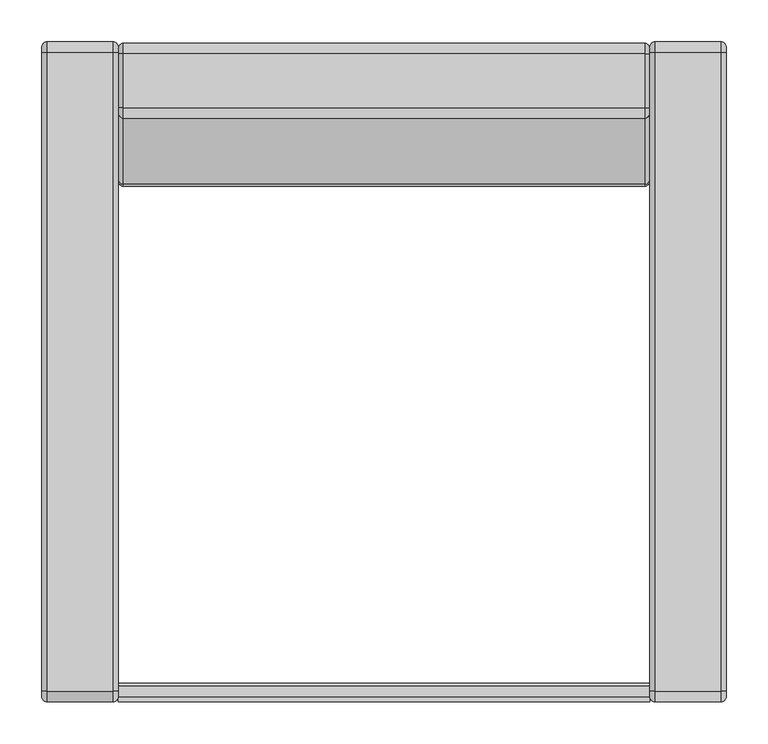
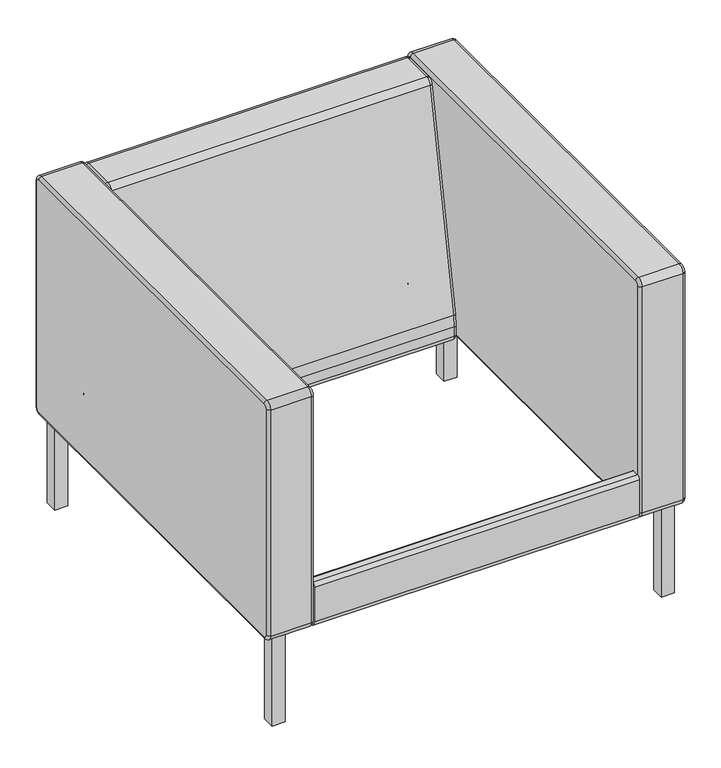
"""IFC4 building model written with IfcOpenShell, lengths in millimetres: furniture geometry."""

from ifc_helpers import new_model, si_unit, point, frame, frame_2d, origin, place, context, project, spatial, polyline, circle_curve, ellipse_curve, trimmed, segment, composite_curve, outline, extrude, source, transform, mapped, element, save
from ifc_brep_helpers import plane_surface, cylinder_surface, revolved_surface, advanced_brep


def furniture_34f81499(model_context):
    return source(origin(), model_context, "Body", "SolidModel", [
        advanced_brep(
        [(318.135, 333.8715545, 196.73392), (318.135, 340.2215545, 203.08392), (318.135, 340.2215545, 670.74872), (318.135, 333.8715545, 677.09872), (318.135, 269.3691712, 677.09872), (318.135, 263.1250497, 671.9034697), (318.135, 183.9228676, 243.6305145), (318.135, 181.9795545, 222.4360318), (318.135, 181.9795545, 203.08392), (318.135, 188.3295545, 196.73392), (-318.135, 188.3295545, 196.73392), (-318.135, 181.9795545, 203.08392), (-318.135, 181.9795545, 222.4360318), (-318.135, 183.9228676, 243.6305145), (-318.135, 263.1250497, 671.9034697), (-318.135, 269.3691712, 677.09872), (-318.135, 333.8715545, 677.09872), (-318.135, 340.2215545, 670.74872), (-318.135, 340.2215545, 203.08392), (-318.135, 333.8715545, 196.73392), (-311.785, 333.8715545, 683.44872), (-311.785, 269.3691712, 683.44872), (311.785, 269.3691712, 683.44872), (311.785, 333.8715545, 683.44872), (-311.785, 256.8809282, 673.0582193), (311.7850073, 256.8809282, 673.0582193), (-311.785, 177.6787461, 244.7852641), (311.785, 177.6787461, 244.7852641), (-311.785, 175.6295545, 222.4360318), (311.7850045, 175.6295545, 222.4360318), (-311.785, 175.6295545, 203.08392), (311.785, 175.6295545, 203.08392), (-311.785, 188.3295545, 190.38392), (311.7850072, 188.3295545, 190.38392), (-311.785, 333.8715545, 190.38392), (311.7850072, 333.8715545, 190.38392), (-311.785, 346.5715545, 203.08392), (311.7850072, 346.5715545, 203.08392), (-311.785, 346.5715545, 670.74872), (311.785, 346.5715545, 670.74872)],
        [
            (0, 1, circle_curve(frame((318.135, 333.8715545, 203.08392), z_axis=(1.0, 0.0, 0.0), x_axis=(0.0, 0.0, -1.0)), 6.35)),
            (1, 2),
            (2, 3, circle_curve(frame((318.135, 333.8715545, 670.74872), z_axis=(1.0, 0.0, 0.0), x_axis=(0.0, 1.0, 0.0)), 6.35)),
            (3, 4),
            (4, 5, circle_curve(frame((318.135, 269.3691712, 670.74872), z_axis=(1.0, 0.0, 0.0), x_axis=(0.0, 0.0, 1.0)), 6.35)),
            (5, 6),
            (6, 7, circle_curve(frame((318.135, 298.5285958, 222.4360318), z_axis=(1.0, 0.0, 0.0), x_axis=(0.0, -0.983326219549813, 0.18185033941643594)), 116.5490413)),
            (7, 8),
            (8, 9, circle_curve(frame((318.135, 188.3295545, 203.08392), z_axis=(1.0, 0.0, 0.0), x_axis=(0.0, -1.0, 0.0)), 6.35)),
            (9, 0),
            (10, 11, circle_curve(frame((-318.135, 188.3295545, 203.08392), z_axis=(-1.0, 0.0, 0.0), x_axis=(0.0, 0.0, -1.0)), 6.35)),
            (11, 12),
            (12, 13, circle_curve(frame((-318.135, 298.5285958, 222.4360318), z_axis=(-1.0, 0.0, 0.0), x_axis=(0.0, -1.0, 0.0)), 116.5490413)),
            (13, 14),
            (14, 15, circle_curve(frame((-318.135, 269.3691712, 670.74872), z_axis=(-1.0, 0.0, 0.0), x_axis=(0.0, -0.9833262195498124, 0.18185033941643938)), 6.35)),
            (15, 16),
            (16, 17, circle_curve(frame((-318.135, 333.8715545, 670.74872), z_axis=(-1.0, 0.0, 0.0), x_axis=(0.0, 0.0, 1.0)), 6.35)),
            (17, 18),
            (18, 19, circle_curve(frame((-318.135, 333.8715545, 203.08392), z_axis=(-1.0, 0.0, 0.0), x_axis=(0.0, 1.0, 0.0)), 6.35)),
            (19, 10),
            (20, 21),
            (21, 22),
            (22, 23),
            (23, 20),
            (21, 24, circle_curve(frame((-311.785, 269.3691712, 670.74872), z_axis=(1.0, 0.0, 0.0), x_axis=(0.0, 1.0, 0.0)), 12.7)),
            (24, 25),
            (25, 22, circle_curve(frame((311.785, 269.3691712, 670.74872), z_axis=(-1.0, 0.0, 0.0), x_axis=(0.0, 1.0, 0.0)), 12.7)),
            (24, 26),
            (26, 27),
            (27, 25),
            (26, 28, circle_curve(frame((-311.785, 298.5285958, 222.4360318), z_axis=(1.0, 0.0, 0.0), x_axis=(0.0, 1.0, 0.0)), 122.8990413)),
            (28, 29),
            (29, 27, circle_curve(frame((311.785, 298.5285958, 222.4360318), z_axis=(-1.0, 0.0, 0.0), x_axis=(0.0, 1.0, 0.0)), 122.8990413)),
            (28, 30),
            (30, 31),
            (31, 29),
            (30, 32, circle_curve(frame((-311.785, 188.3295545, 203.08392), z_axis=(1.0, 0.0, 0.0), x_axis=(0.0, 1.0, 0.0)), 12.7)),
            (32, 33),
            (33, 31, circle_curve(frame((311.785, 188.3295545, 203.08392), z_axis=(-1.0, 0.0, 0.0), x_axis=(0.0, 1.0, 0.0)), 12.7)),
            (32, 34),
            (34, 35),
            (35, 33),
            (34, 36, circle_curve(frame((-311.785, 333.8715545, 203.08392), z_axis=(1.0, 0.0, 0.0), x_axis=(0.0, 1.0, 0.0)), 12.7)),
            (36, 37),
            (37, 35, circle_curve(frame((311.785, 333.8715545, 203.08392), z_axis=(-1.0, 0.0, 0.0), x_axis=(0.0, 1.0, 0.0)), 12.7)),
            (36, 38),
            (38, 39),
            (39, 37),
            (38, 20, circle_curve(frame((-311.785, 333.8715545, 670.74872), z_axis=(1.0, 0.0, 0.0), x_axis=(0.0, 1.0, 0.0)), 12.7)),
            (23, 39, circle_curve(frame((311.785, 333.8715545, 670.74872), z_axis=(-1.0, 0.0, 0.0), x_axis=(0.0, 1.0, 0.0)), 12.7)),
            (30, 11, circle_curve(frame((-311.785, 181.9795545, 203.08392), z_axis=(0.0, 0.0, -1.0), x_axis=(-1.0, 0.0, 0.0)), 6.35)),
            (10, 32, circle_curve(frame((-311.785, 188.3295545, 196.73392), z_axis=(0.0, -1.0, 0.0), x_axis=(-1.0, 0.0, 0.0)), 6.35)),
            (28, 12, circle_curve(frame((-311.785, 181.9795545, 222.4360318), z_axis=(0.0, 0.0, -1.0), x_axis=(-1.0, 0.0, 0.0)), 6.35)),
            (26, 13, circle_curve(frame((-311.785, 183.9228676, 243.6305145), z_axis=(0.0, -0.18185033941642362, -0.9833262195498153), x_axis=(-1.0, 0.0, 0.0)), 6.35)),
            (24, 14, circle_curve(frame((-311.785, 263.1250497, 671.9034697), z_axis=(0.0, -0.18185033941642667, -0.9833262195498147), x_axis=(-1.0, 0.0, 0.0)), 6.35)),
            (21, 15, circle_curve(frame((-311.785, 269.3691712, 677.09872), z_axis=(0.0, -1.0, 0.0), x_axis=(-1.0, 0.0, 0.0)), 6.35)),
            (20, 16, circle_curve(frame((-311.785, 333.8715545, 677.09872), z_axis=(0.0, -1.0, 0.0), x_axis=(-1.0, 0.0, 0.0)), 6.35)),
            (38, 17, circle_curve(frame((-311.785, 340.2215545, 670.74872), z_axis=(0.0, 0.0, 1.0), x_axis=(-1.0, 0.0, 0.0)), 6.35)),
            (36, 18, circle_curve(frame((-311.785, 340.2215545, 203.08392), z_axis=(0.0, 0.0, 1.0), x_axis=(-1.0, 0.0, 0.0)), 6.35)),
            (34, 19, circle_curve(frame((-311.785, 333.8715545, 196.73392), z_axis=(0.0, 1.0, 0.0), x_axis=(-1.0, 0.0, 0.0)), 6.35)),
            (37, 1, circle_curve(frame((311.785, 340.2215545, 203.08392), z_axis=(0.0, 0.0, -1.0), x_axis=(1.0, 0.0, 0.0)), 6.35)),
            (0, 35, circle_curve(frame((311.785, 333.8715545, 196.73392), z_axis=(0.0, 1.0, 0.0), x_axis=(1.0, 0.0, 0.0)), 6.35)),
            (39, 2, circle_curve(frame((311.785, 340.2215545, 670.74872), z_axis=(0.0, 0.0, -1.0), x_axis=(1.0, 0.0, 0.0)), 6.35)),
            (23, 3, circle_curve(frame((311.785, 333.8715545, 677.09872), z_axis=(0.0, 1.0, 0.0), x_axis=(1.0, 0.0, 0.0)), 6.35)),
            (22, 4, circle_curve(frame((311.785, 269.3691712, 677.09872), z_axis=(0.0, 1.0, 0.0), x_axis=(1.0, 0.0, 0.0)), 6.35)),
            (25, 5, circle_curve(frame((311.785, 263.1250497, 671.9034697), z_axis=(0.0, 0.18185033941640474, 0.9833262195498188), x_axis=(1.0, 0.0, 0.0)), 6.35)),
            (27, 6, circle_curve(frame((311.785, 183.9228676, 243.6305145), z_axis=(0.0, 0.18185033941642667, 0.9833262195498148), x_axis=(1.0, 0.0, 0.0)), 6.35)),
            (29, 7, circle_curve(frame((311.785, 181.9795545, 222.4360318), z_axis=(0.0, 0.0, 1.0000000000000002), x_axis=(1.0, 0.0, 0.0)), 6.35)),
            (31, 8, circle_curve(frame((311.785, 181.9795545, 203.08392), z_axis=(0.0, 0.0, 1.0), x_axis=(1.0, 0.0, 0.0)), 6.35)),
            (33, 9, circle_curve(frame((311.785, 188.3295545, 196.73392), z_axis=(0.0, -1.0, 0.0), x_axis=(1.0, 0.0, 0.0)), 6.35)),
        ],
        [
            plane_surface(frame((318.135, 269.3691712, 683.44872), z_axis=(1.0, 0.0, 0.0), x_axis=(0.0, -1.0, 0.0))),
            plane_surface(frame((-318.135, 269.3691712, 683.44872), z_axis=(-1.0, 0.0, 0.0), x_axis=(0.0, 1.0, 0.0))),
            plane_surface(frame((318.135, 333.8715545, 683.44872), z_axis=(0.0, 0.0, 1.0), x_axis=(-1.0, 0.0, 0.0))),
            cylinder_surface(frame((-318.135, 269.3691712, 670.74872), z_axis=(1.0, 0.0, 0.0), x_axis=(0.0, 1.0, 0.0)), 12.7),
            plane_surface(frame((318.135, 256.8809282, 673.0582193), z_axis=(0.0, -0.9833262195498147, 0.18185033941642684), x_axis=(-1.0, 0.0, 0.0))),
            cylinder_surface(frame((-318.135, 298.5285958, 222.4360318), z_axis=(1.0, 0.0, 0.0), x_axis=(0.0, 1.0, 0.0)), 122.8990413),
            plane_surface(frame((318.135, 175.6295545, 222.4360318), z_axis=(0.0, -1.0, 0.0), x_axis=(-1.0, 0.0, 0.0))),
            cylinder_surface(frame((-318.135, 188.3295545, 203.08392), z_axis=(1.0, 0.0, 0.0), x_axis=(0.0, 1.0, 0.0)), 12.7),
            plane_surface(frame((318.135, 188.3295545, 190.38392), z_axis=(0.0, 0.0, -1.0), x_axis=(-1.0, 0.0, 0.0))),
            cylinder_surface(frame((-318.135, 333.8715545, 203.08392), z_axis=(1.0, 0.0, 0.0), x_axis=(0.0, 1.0, 0.0)), 12.7),
            plane_surface(frame((318.135, 346.5715545, 203.08392), z_axis=(0.0, 1.0, 0.0), x_axis=(-1.0, 0.0, 0.0))),
            cylinder_surface(frame((-318.135, 333.8715545, 670.74872), z_axis=(1.0, 0.0, 0.0), x_axis=(0.0, 1.0, 0.0)), 12.7),
            revolved_surface(trimmed(ellipse_curve(frame((-311.785, 188.3295545, 196.73392), z_axis=(0.0, 1.0, 0.0), x_axis=(-1.0, 0.0, 0.0)), 6.35, 6.35), [point((-311.785, 188.3295545, 190.38392))], [point((-318.135, 188.3295545, 196.73392))], True, "CARTESIAN"), (-318.135, 188.3295545, 203.08392), (-1.0, 0.0, 0.0)),
            cylinder_surface(frame((-311.785, 181.9795545, 203.08392), z_axis=(0.0, 0.0, 1.0), x_axis=(-1.0, 0.0, 0.0)), 6.35),
            revolved_surface(trimmed(ellipse_curve(frame((-311.785, 181.9795545, 222.4360318), z_axis=(0.0, 0.0, -1.0), x_axis=(-1.0, 0.0, 0.0)), 6.35, 6.35), [point((-311.785, 175.6295545, 222.4360318))], [point((-318.135, 181.9795545, 222.4360318))], True, "CARTESIAN"), (-318.135, 298.5285958, 222.4360318), (-1.0, 0.0, 0.0)),
            cylinder_surface(frame((-311.785, 183.9228676, 243.6305145), z_axis=(0.0, 0.18185033941642667, 0.9833262195498147), x_axis=(-1.0, 0.0, 0.0)), 6.35),
            revolved_surface(trimmed(ellipse_curve(frame((-311.785, 263.1250497, 671.9034697), z_axis=(0.0, -0.18185033941643924, -0.9833262195498124), x_axis=(-1.0, 0.0, 0.0)), 6.35, 6.35), [point((-311.785, 256.8809282, 673.0582193))], [point((-318.135, 263.1250497, 671.9034697))], True, "CARTESIAN"), (-318.135, 269.3691712, 670.74872), (-1.0, 0.0, 0.0)),
            cylinder_surface(frame((-311.785, 269.3691712, 677.09872), z_axis=(0.0, 1.0, 0.0), x_axis=(-1.0, 0.0, 0.0)), 6.35),
            revolved_surface(trimmed(ellipse_curve(frame((-311.785, 333.8715545, 677.09872), z_axis=(0.0, -1.0, 0.0), x_axis=(-1.0, 0.0, 0.0)), 6.35, 6.35), [point((-311.785, 333.8715545, 683.44872))], [point((-318.135, 333.8715545, 677.09872))], True, "CARTESIAN"), (-318.135, 333.8715545, 670.74872), (-1.0, 0.0, 0.0)),
            cylinder_surface(frame((-311.785, 340.2215545, 670.74872), z_axis=(0.0, 0.0, -1.0), x_axis=(-1.0, 0.0, 0.0)), 6.35),
            revolved_surface(trimmed(ellipse_curve(frame((-311.785, 340.2215545, 203.08392), z_axis=(0.0, 0.0, 1.0), x_axis=(-1.0, 0.0, 0.0)), 6.35, 6.35), [point((-311.785, 346.5715545, 203.08392))], [point((-318.135, 340.2215545, 203.08392))], True, "CARTESIAN"), (-318.135, 333.8715545, 203.08392), (-1.0, 0.0, 0.0)),
            cylinder_surface(frame((-311.785, 333.8715545, 196.73392), z_axis=(0.0, -1.0, 0.0), x_axis=(-1.0, 0.0, 0.0)), 6.35),
            revolved_surface(trimmed(ellipse_curve(frame((311.785, 333.8715545, 196.73392), z_axis=(0.0, -1.0, 0.0), x_axis=(1.0, 0.0, 0.0)), 6.35, 6.35), [point((311.785, 333.8715545, 190.38392))], [point((318.135, 333.8715545, 196.73392))], True, "CARTESIAN"), (318.135, 333.8715545, 203.08392), (1.0, 0.0, 0.0)),
            cylinder_surface(frame((311.785, 340.2215545, 203.08392), z_axis=(0.0, 0.0, 1.0), x_axis=(1.0, 0.0, 0.0)), 6.35),
            revolved_surface(trimmed(ellipse_curve(frame((311.785, 340.2215545, 670.74872), z_axis=(0.0, 0.0, -1.0), x_axis=(1.0, 0.0, 0.0)), 6.35, 6.35), [point((311.785, 346.5715545, 670.74872))], [point((318.135, 340.2215545, 670.74872))], True, "CARTESIAN"), (318.135, 333.8715545, 670.74872), (1.0, 0.0, 0.0)),
            cylinder_surface(frame((311.785, 333.8715545, 677.09872), z_axis=(0.0, -1.0, 0.0), x_axis=(1.0, 0.0, 0.0)), 6.35),
            revolved_surface(trimmed(ellipse_curve(frame((311.785, 269.3691712, 677.09872), z_axis=(0.0, 1.0, 0.0), x_axis=(1.0, 0.0, 0.0)), 6.35, 6.35), [point((311.785, 269.3691712, 683.44872))], [point((318.135, 269.3691712, 677.09872))], True, "CARTESIAN"), (318.135, 269.3691712, 670.74872), (1.0, 0.0, 0.0)),
            cylinder_surface(frame((311.785, 263.1250497, 671.9034697), z_axis=(0.0, -0.18185033941642667, -0.9833262195498148), x_axis=(1.0, 0.0, 0.0)), 6.35),
            revolved_surface(trimmed(ellipse_curve(frame((311.785, 183.9228676, 243.6305145), z_axis=(0.0, 0.18185033941643572, 0.983326219549813), x_axis=(1.0, 0.0, 0.0)), 6.35, 6.35), [point((311.785, 177.6787461, 244.7852641))], [point((318.135, 183.9228676, 243.6305145))], True, "CARTESIAN"), (318.135, 298.5285958, 222.4360318), (1.0, 0.0, 0.0)),
            cylinder_surface(frame((311.785, 181.9795545, 222.4360318), z_axis=(0.0, 0.0, -1.0), x_axis=(1.0, 0.0, 0.0)), 6.35),
            revolved_surface(trimmed(ellipse_curve(frame((311.785, 181.9795545, 203.08392), z_axis=(0.0, 0.0, 1.0), x_axis=(1.0, 0.0, 0.0)), 6.35, 6.35), [point((311.785, 175.6295545, 203.08392))], [point((318.135, 181.9795545, 203.08392))], True, "CARTESIAN"), (318.135, 188.3295545, 203.08392), (1.0, 0.0, 0.0)),
            cylinder_surface(frame((311.785, 188.3295545, 196.73392), z_axis=(0.0, 1.0, 0.0), x_axis=(1.0, 0.0, 0.0)), 6.35),
        ],
        [
            (0, [[1, 2, 3, 4, 5, 6, 7, 8, 9, 10]]),
            (1, [[11, 12, 13, 14, 15, 16, 17, 18, 19, 20]]),
            (2, [[21, 22, 23, 24]]),
            (3, [[25, 26, 27, -22]]),
            (4, [[28, 29, 30, -26]]),
            (5, [[31, 32, 33, -29]]),
            (6, [[34, 35, 36, -32]]),
            (7, [[37, 38, 39, -35]]),
            (8, [[40, 41, 42, -38]]),
            (9, [[43, 44, 45, -41]]),
            (10, [[46, 47, 48, -44]]),
            (11, [[49, -24, 50, -47]]),
            (12, [[51, -11, 52, -37]]),
            (13, [[-51, -34, 53, -12]]),
            (14, [[-53, -31, 54, -13]]),
            (15, [[-54, -28, 55, -14]]),
            (16, [[-55, -25, 56, -15]]),
            (17, [[-56, -21, 57, -16]]),
            (18, [[-57, -49, 58, -17]]),
            (19, [[-58, -46, 59, -18]]),
            (20, [[-59, -43, 60, -19]]),
            (21, [[-52, -20, -60, -40]]),
            (22, [[61, -1, 62, -45]]),
            (23, [[-61, -48, 63, -2]]),
            (24, [[-63, -50, 64, -3]]),
            (25, [[-64, -23, 65, -4]]),
            (26, [[-65, -27, 66, -5]]),
            (27, [[-66, -30, 67, -6]]),
            (28, [[-67, -33, 68, -7]]),
            (29, [[-68, -36, 69, -8]]),
            (30, [[-69, -39, 70, -9]]),
            (31, [[-62, -10, -70, -42]]),
        ],
    ),
        advanced_brep(
        [(-409.575, 335.7003545, 681.22622), (-409.575, 342.0503545, 674.87622), (-409.575, 342.0503545, 207.19872), (-409.575, 335.7003545, 200.84872), (-409.575, -428.8396455, 200.84872), (-409.575, -435.1896455, 207.19872), (-409.575, -435.1896455, 674.87622), (-409.575, -428.8396455, 681.22622), (-318.135, -428.8396455, 681.22622), (-318.135, -435.1896455, 674.87622), (-318.135, -435.1896455, 207.19872), (-318.135, -428.8396455, 200.84872), (-318.135, 335.7003545, 200.84872), (-318.135, 342.0503545, 207.19872), (-318.135, 342.0503545, 674.87622), (-318.135, 335.7003545, 681.22622), (-403.225, -441.5396455, 674.87622), (-403.225, -441.5396455, 207.19872), (-324.485, -441.5396455, 207.19872), (-324.485, -441.5396455, 674.87622), (-403.225, -428.8396455, 194.49872), (-324.4849927, -428.8396455, 194.49872), (-403.225, 335.7003545, 194.49872), (-324.485, 335.7003545, 194.49872), (-403.225, 348.4003545, 207.19872), (-324.4849927, 348.4003545, 207.19872), (-403.225, 348.4003545, 674.87622), (-324.485, 348.4003545, 674.87622), (-403.225, 335.7003545, 687.57622), (-324.4849926, 335.7003545, 687.57622), (-403.225, -428.8396455, 687.57622), (-324.4849928, -428.8396455, 687.57622)],
        [
            (0, 1, circle_curve(frame((-409.575, 335.7003545, 674.87622), z_axis=(-1.0, 0.0, 0.0), x_axis=(0.0, 0.0, 1.0)), 6.35)),
            (1, 2),
            (2, 3, circle_curve(frame((-409.575, 335.7003545, 207.19872), z_axis=(-1.0, 0.0, 0.0), x_axis=(0.0, 1.0, 0.0)), 6.35)),
            (3, 4),
            (4, 5, circle_curve(frame((-409.575, -428.8396455, 207.19872), z_axis=(-1.0, 0.0, 0.0), x_axis=(0.0, 0.0, -1.0)), 6.35)),
            (5, 6),
            (6, 7, circle_curve(frame((-409.575, -428.8396455, 674.87622), z_axis=(-1.0, 0.0, 0.0), x_axis=(0.0, -1.0, 0.0)), 6.35)),
            (7, 0),
            (8, 9, circle_curve(frame((-318.135, -428.8396455, 674.87622), z_axis=(1.0, 0.0, 0.0), x_axis=(0.0, 0.0, 1.0)), 6.35)),
            (9, 10),
            (10, 11, circle_curve(frame((-318.135, -428.8396455, 207.19872), z_axis=(1.0, 0.0, 0.0), x_axis=(0.0, -1.0, 0.0)), 6.35)),
            (11, 12),
            (12, 13, circle_curve(frame((-318.135, 335.7003545, 207.19872), z_axis=(1.0, 0.0, 0.0), x_axis=(0.0, 0.0, -1.0)), 6.35)),
            (13, 14),
            (14, 15, circle_curve(frame((-318.135, 335.7003545, 674.87622), z_axis=(1.0, 0.0, 0.0), x_axis=(0.0, 1.0, 0.0)), 6.35)),
            (15, 8),
            (16, 17),
            (17, 18),
            (18, 19),
            (19, 16),
            (17, 20, circle_curve(frame((-403.225, -428.8396455, 207.19872), z_axis=(1.0, 0.0, 0.0), x_axis=(0.0, 1.0, 0.0)), 12.7)),
            (20, 21),
            (21, 18, circle_curve(frame((-324.485, -428.8396455, 207.19872), z_axis=(-1.0, 0.0, 0.0), x_axis=(0.0, 1.0, 0.0)), 12.7)),
            (20, 22),
            (22, 23),
            (23, 21),
            (22, 24, circle_curve(frame((-403.225, 335.7003545, 207.19872), z_axis=(1.0, 0.0, 0.0), x_axis=(0.0, 1.0, 0.0)), 12.7)),
            (24, 25),
            (25, 23, circle_curve(frame((-324.485, 335.7003545, 207.19872), z_axis=(-1.0, 0.0, 0.0), x_axis=(0.0, 1.0, 0.0)), 12.7)),
            (24, 26),
            (26, 27),
            (27, 25),
            (26, 28, circle_curve(frame((-403.225, 335.7003545, 674.87622), z_axis=(1.0, 0.0, 0.0), x_axis=(0.0, 1.0, 0.0)), 12.7)),
            (28, 29),
            (29, 27, circle_curve(frame((-324.485, 335.7003545, 674.87622), z_axis=(-1.0, 0.0, 0.0), x_axis=(0.0, 1.0, 0.0)), 12.7)),
            (28, 30),
            (30, 31),
            (31, 29),
            (30, 16, circle_curve(frame((-403.225, -428.8396455, 674.87622), z_axis=(1.0, 0.0, 0.0), x_axis=(0.0, 1.0, 0.0)), 12.7)),
            (19, 31, circle_curve(frame((-324.485, -428.8396455, 674.87622), z_axis=(-1.0, 0.0, 0.0), x_axis=(0.0, 1.0, 0.0)), 12.7)),
            (26, 1, circle_curve(frame((-403.225, 342.0503545, 674.87622), z_axis=(0.0, 0.0, 1.0), x_axis=(-1.0, 0.0, 0.0)), 6.35)),
            (0, 28, circle_curve(frame((-403.225, 335.7003545, 681.22622), z_axis=(0.0, 1.0, 0.0), x_axis=(-1.0, 0.0, 0.0)), 6.35)),
            (24, 2, circle_curve(frame((-403.225, 342.0503545, 207.19872), z_axis=(0.0, 0.0, 1.0), x_axis=(-1.0, 0.0, 0.0)), 6.35)),
            (22, 3, circle_curve(frame((-403.225, 335.7003545, 200.84872), z_axis=(0.0, 1.0, 0.0), x_axis=(-1.0, 0.0, 0.0)), 6.35)),
            (20, 4, circle_curve(frame((-403.225, -428.8396455, 200.84872), z_axis=(0.0, 1.0, 0.0), x_axis=(-1.0, 0.0, 0.0)), 6.35)),
            (17, 5, circle_curve(frame((-403.225, -435.1896455, 207.19872), z_axis=(0.0, 0.0, -1.0), x_axis=(-1.0, 0.0, 0.0)), 6.35)),
            (16, 6, circle_curve(frame((-403.225, -435.1896455, 674.87622), z_axis=(0.0, 0.0, -1.0), x_axis=(-1.0, 0.0, 0.0)), 6.35)),
            (30, 7, circle_curve(frame((-403.225, -428.8396455, 681.22622), z_axis=(0.0, -1.0, 0.0), x_axis=(-1.0, 0.0, 0.0)), 6.35)),
            (19, 9, circle_curve(frame((-324.485, -435.1896455, 674.87622), z_axis=(0.0, 0.0, 1.0), x_axis=(1.0, 0.0, 0.0)), 6.35)),
            (8, 31, circle_curve(frame((-324.485, -428.8396455, 681.22622), z_axis=(0.0, -1.0, 0.0), x_axis=(1.0, 0.0, 0.0)), 6.35)),
            (18, 10, circle_curve(frame((-324.485, -435.1896455, 207.19872), z_axis=(0.0, 0.0, 1.0), x_axis=(1.0, 0.0, 0.0)), 6.35)),
            (21, 11, circle_curve(frame((-324.485, -428.8396455, 200.84872), z_axis=(0.0, -1.0, 0.0), x_axis=(1.0, 0.0, 0.0)), 6.35)),
            (23, 12, circle_curve(frame((-324.485, 335.7003545, 200.84872), z_axis=(0.0, -1.0, 0.0), x_axis=(1.0, 0.0, 0.0)), 6.35)),
            (25, 13, circle_curve(frame((-324.485, 342.0503545, 207.19872), z_axis=(0.0, 0.0, -1.0), x_axis=(1.0, 0.0, 0.0)), 6.35)),
            (27, 14, circle_curve(frame((-324.485, 342.0503545, 674.87622), z_axis=(0.0, 0.0, -1.0), x_axis=(1.0, 0.0, 0.0)), 6.35)),
            (29, 15, circle_curve(frame((-324.485, 335.7003545, 681.22622), z_axis=(0.0, 1.0, 0.0), x_axis=(1.0, 0.0, 0.0)), 6.35)),
        ],
        [
            plane_surface(frame((-409.575, -416.1396455, 674.87622), z_axis=(-1.0, 0.0, 0.0), x_axis=(0.0, 0.0, -1.0))),
            plane_surface(frame((-318.135, -416.1396455, 674.87622), z_axis=(1.0, 0.0, 0.0), x_axis=(0.0, 0.0, 1.0))),
            plane_surface(frame((-409.575, -441.5396455, 207.19872), z_axis=(0.0, -1.0, 0.0), x_axis=(1.0, 0.0, 0.0))),
            cylinder_surface(frame((-318.135, -428.8396455, 207.19872), z_axis=(-1.0, 0.0, 0.0), x_axis=(0.0, 1.0, 0.0)), 12.7),
            plane_surface(frame((-409.575, 335.7003545, 194.49872), z_axis=(0.0, 0.0, -1.0), x_axis=(1.0, 0.0, 0.0))),
            cylinder_surface(frame((-318.135, 335.7003545, 207.19872), z_axis=(-1.0, 0.0, 0.0), x_axis=(0.0, 1.0, 0.0)), 12.7),
            plane_surface(frame((-409.575, 348.4003545, 674.87622), z_axis=(0.0, 1.0, 0.0), x_axis=(1.0, 0.0, 0.0))),
            cylinder_surface(frame((-318.135, 335.7003545, 674.87622), z_axis=(-1.0, 0.0, 0.0), x_axis=(0.0, 1.0, 0.0)), 12.7),
            plane_surface(frame((-409.575, -428.8396455, 687.57622), z_axis=(0.0, 0.0, 1.0), x_axis=(1.0, 0.0, 0.0))),
            cylinder_surface(frame((-318.135, -428.8396455, 674.87622), z_axis=(-1.0, 0.0, 0.0), x_axis=(0.0, 1.0, 0.0)), 12.7),
            revolved_surface(trimmed(ellipse_curve(frame((-403.225, 335.7003545, 681.22622), z_axis=(0.0, -1.0, 0.0), x_axis=(-1.0, 0.0, 0.0)), 6.35, 6.35), [point((-403.225, 335.7003545, 687.57622))], [point((-409.575, 335.7003545, 681.22622))], True, "CARTESIAN"), (-409.575, 335.7003545, 674.87622), (-1.0, 0.0, 0.0)),
            cylinder_surface(frame((-403.225, 342.0503545, 674.87622), z_axis=(0.0, 0.0, -1.0), x_axis=(-1.0, 0.0, 0.0)), 6.35),
            revolved_surface(trimmed(ellipse_curve(frame((-403.225, 342.0503545, 207.19872), z_axis=(0.0, 0.0, 1.0), x_axis=(-1.0, 0.0, 0.0)), 6.35, 6.35), [point((-403.225, 348.4003545, 207.19872))], [point((-409.575, 342.0503545, 207.19872))], True, "CARTESIAN"), (-409.575, 335.7003545, 207.19872), (-1.0, 0.0, 0.0)),
            cylinder_surface(frame((-403.225, 335.7003545, 200.84872), z_axis=(0.0, -1.0, 0.0), x_axis=(-1.0, 0.0, 0.0)), 6.35),
            revolved_surface(trimmed(ellipse_curve(frame((-403.225, -428.8396455, 200.84872), z_axis=(0.0, 1.0, 0.0), x_axis=(-1.0, 0.0, 0.0)), 6.35, 6.35), [point((-403.225, -428.8396455, 194.49872))], [point((-409.575, -428.8396455, 200.84872))], True, "CARTESIAN"), (-409.575, -428.8396455, 207.19872), (-1.0, 0.0, 0.0)),
            cylinder_surface(frame((-403.225, -435.1896455, 207.19872), z_axis=(0.0, 0.0, 1.0), x_axis=(-1.0, 0.0, 0.0)), 6.35),
            revolved_surface(trimmed(ellipse_curve(frame((-403.225, -435.1896455, 674.87622), z_axis=(0.0, 0.0, -1.0), x_axis=(-1.0, 0.0, 0.0)), 6.35, 6.35), [point((-403.225, -441.5396455, 674.87622))], [point((-409.575, -435.1896455, 674.87622))], True, "CARTESIAN"), (-409.575, -428.8396455, 674.87622), (-1.0, 0.0, 0.0)),
            cylinder_surface(frame((-403.225, -428.8396455, 681.22622), z_axis=(0.0, 1.0, 0.0), x_axis=(-1.0, 0.0, 0.0)), 6.35),
            revolved_surface(trimmed(ellipse_curve(frame((-324.485, -428.8396455, 681.22622), z_axis=(0.0, 1.0, 0.0), x_axis=(1.0, 0.0, 0.0)), 6.35, 6.35), [point((-324.485, -428.8396455, 687.57622))], [point((-318.135, -428.8396455, 681.22622))], True, "CARTESIAN"), (-318.135, -428.8396455, 674.87622), (1.0, 0.0, 0.0)),
            cylinder_surface(frame((-324.485, -435.1896455, 674.87622), z_axis=(0.0, 0.0, -1.0), x_axis=(1.0, 0.0, 0.0)), 6.35),
            revolved_surface(trimmed(ellipse_curve(frame((-324.485, -435.1896455, 207.19872), z_axis=(0.0, 0.0, 1.0), x_axis=(1.0, 0.0, 0.0)), 6.35, 6.35), [point((-324.485, -441.5396455, 207.19872))], [point((-318.135, -435.1896455, 207.19872))], True, "CARTESIAN"), (-318.135, -428.8396455, 207.19872), (1.0, 0.0, 0.0)),
            cylinder_surface(frame((-324.485, -428.8396455, 200.84872), z_axis=(0.0, 1.0, 0.0), x_axis=(1.0, 0.0, 0.0)), 6.35),
            revolved_surface(trimmed(ellipse_curve(frame((-324.485, 335.7003545, 200.84872), z_axis=(0.0, -1.0, 0.0), x_axis=(1.0, 0.0, 0.0)), 6.35, 6.35), [point((-324.485, 335.7003545, 194.49872))], [point((-318.135, 335.7003545, 200.84872))], True, "CARTESIAN"), (-318.135, 335.7003545, 207.19872), (1.0, 0.0, 0.0)),
            cylinder_surface(frame((-324.485, 342.0503545, 207.19872), z_axis=(0.0, 0.0, 1.0), x_axis=(1.0, 0.0, 0.0)), 6.35),
            revolved_surface(trimmed(ellipse_curve(frame((-324.485, 342.0503545, 674.87622), z_axis=(0.0, 0.0, -1.0), x_axis=(1.0, 0.0, 0.0)), 6.35, 6.35), [point((-324.485, 348.4003545, 674.87622))], [point((-318.135, 342.0503545, 674.87622))], True, "CARTESIAN"), (-318.135, 335.7003545, 674.87622), (1.0, 0.0, 0.0)),
            cylinder_surface(frame((-324.485, 335.7003545, 681.22622), z_axis=(0.0, -1.0, 0.0), x_axis=(1.0, 0.0, 0.0)), 6.35),
        ],
        [
            (0, [[1, 2, 3, 4, 5, 6, 7, 8]]),
            (1, [[9, 10, 11, 12, 13, 14, 15, 16]]),
            (2, [[17, 18, 19, 20]]),
            (3, [[21, 22, 23, -18]]),
            (4, [[24, 25, 26, -22]]),
            (5, [[27, 28, 29, -25]]),
            (6, [[30, 31, 32, -28]]),
            (7, [[33, 34, 35, -31]]),
            (8, [[36, 37, 38, -34]]),
            (9, [[39, -20, 40, -37]]),
            (10, [[41, -1, 42, -33]]),
            (11, [[-41, -30, 43, -2]]),
            (12, [[-43, -27, 44, -3]]),
            (13, [[-44, -24, 45, -4]]),
            (14, [[-45, -21, 46, -5]]),
            (15, [[-46, -17, 47, -6]]),
            (16, [[-47, -39, 48, -7]]),
            (17, [[-42, -8, -48, -36]]),
            (18, [[49, -9, 50, -40]]),
            (19, [[-49, -19, 51, -10]]),
            (20, [[-51, -23, 52, -11]]),
            (21, [[-52, -26, 53, -12]]),
            (22, [[-53, -29, 54, -13]]),
            (23, [[-54, -32, 55, -14]]),
            (24, [[-55, -35, 56, -15]]),
            (25, [[-50, -16, -56, -38]]),
        ],
    ),
        advanced_brep(
        [(409.575, -428.8396455, 681.22622), (409.575, -435.1896455, 674.87622), (409.575, -435.1896455, 207.19872), (409.575, -428.8396455, 200.84872), (409.575, 335.7003545, 200.84872), (409.575, 342.0503545, 207.19872), (409.575, 342.0503545, 674.87622), (409.575, 335.7003545, 681.22622), (318.135, 335.7003545, 681.22622), (318.135, 342.0503545, 674.87622), (318.135, 342.0503545, 207.19872), (318.135, 335.7003545, 200.84872), (318.135, -428.8396455, 200.84872), (318.135, -435.1896455, 207.19872), (318.135, -435.1896455, 674.87622), (318.135, -428.8396455, 681.22622), (403.225, -441.5396455, 207.19872), (403.225, -441.5396455, 674.87622), (324.485, -441.5396455, 674.87622), (324.485, -441.5396455, 207.19872), (403.225, -428.8396455, 194.49872), (324.485, -428.8396455, 194.49872), (403.225, 335.7003545, 194.49872), (324.485, 335.7003545, 194.49872), (403.225, 348.4003545, 207.19872), (324.485, 348.4003545, 207.19872), (403.225, 348.4003545, 674.87622), (324.485, 348.4003545, 674.87622), (403.225, 335.7003545, 687.57622), (324.485, 335.7003545, 687.57622), (403.225, -428.8396455, 687.57622), (324.485, -428.8396455, 687.57622)],
        [
            (0, 1, circle_curve(frame((409.575, -428.8396455, 674.87622), z_axis=(1.0, 0.0, 0.0), x_axis=(0.0, 0.0, 1.0)), 6.35)),
            (1, 2),
            (2, 3, circle_curve(frame((409.575, -428.8396455, 207.19872), z_axis=(1.0, 0.0, 0.0), x_axis=(0.0, -1.0, 0.0)), 6.35)),
            (3, 4),
            (4, 5, circle_curve(frame((409.575, 335.7003545, 207.19872), z_axis=(1.0, 0.0, 0.0), x_axis=(0.0, 0.0, -1.0)), 6.35)),
            (5, 6),
            (6, 7, circle_curve(frame((409.575, 335.7003545, 674.87622), z_axis=(1.0, 0.0, 0.0), x_axis=(0.0, 1.0, 1.1765914767428364e-12)), 6.35)),
            (7, 0),
            (8, 9, circle_curve(frame((318.135, 335.7003545, 674.87622), z_axis=(-1.0, 0.0, 0.0), x_axis=(0.0, 0.0, 1.0)), 6.35)),
            (9, 10),
            (10, 11, circle_curve(frame((318.135, 335.7003545, 207.19872), z_axis=(-1.0, 0.0, 0.0), x_axis=(0.0, 1.0, 0.0)), 6.35)),
            (11, 12),
            (12, 13, circle_curve(frame((318.135, -428.8396455, 207.19872), z_axis=(-1.0, 0.0, 0.0), x_axis=(0.0, 0.0, -1.0)), 6.35)),
            (13, 14),
            (14, 15, circle_curve(frame((318.135, -428.8396455, 674.87622), z_axis=(-1.0, 0.0, 0.0), x_axis=(0.0, -1.0, 0.0)), 6.35)),
            (15, 8),
            (16, 17),
            (17, 18),
            (18, 19),
            (19, 16),
            (20, 16, circle_curve(frame((403.225, -428.8396455, 207.19872), z_axis=(-1.0, 0.0, 0.0), x_axis=(0.0, 1.0, 0.0)), 12.7)),
            (19, 21, circle_curve(frame((324.485, -428.8396455, 207.19872), z_axis=(1.0, 0.0, 0.0), x_axis=(0.0, 1.0, 0.0)), 12.7)),
            (21, 20),
            (22, 20),
            (21, 23),
            (23, 22),
            (24, 22, circle_curve(frame((403.225, 335.7003545, 207.19872), z_axis=(-1.0, 0.0, 0.0), x_axis=(0.0, 1.0, 0.0)), 12.7)),
            (23, 25, circle_curve(frame((324.485, 335.7003545, 207.19872), z_axis=(1.0, 0.0, 0.0), x_axis=(0.0, 1.0, 0.0)), 12.7)),
            (25, 24),
            (26, 24),
            (25, 27),
            (27, 26),
            (28, 26, circle_curve(frame((403.225, 335.7003545, 674.87622), z_axis=(-1.0, 0.0, 0.0), x_axis=(0.0, 1.0, 0.0)), 12.7)),
            (27, 29, circle_curve(frame((324.485, 335.7003545, 674.87622), z_axis=(1.0, 0.0, 0.0), x_axis=(0.0, 1.0, 0.0)), 12.7)),
            (29, 28),
            (30, 28),
            (29, 31),
            (31, 30),
            (17, 30, circle_curve(frame((403.225, -428.8396455, 674.87622), z_axis=(-1.0, 0.0, 0.0), x_axis=(0.0, 1.0, 0.0)), 12.7)),
            (31, 18, circle_curve(frame((324.485, -428.8396455, 674.87622), z_axis=(1.0, 0.0, 0.0), x_axis=(0.0, 1.0, 0.0)), 12.7)),
            (17, 1, circle_curve(frame((403.225, -435.1896455, 674.87622), z_axis=(0.0, 0.0, 1.0), x_axis=(1.0, 0.0, 0.0)), 6.35)),
            (0, 30, circle_curve(frame((403.225, -428.8396455, 681.22622), z_axis=(0.0, -1.0, 0.0), x_axis=(1.0, 0.0, 0.0)), 6.35)),
            (16, 2, circle_curve(frame((403.225, -435.1896455, 207.19872), z_axis=(0.0, 0.0, 1.0), x_axis=(1.0, 0.0, 0.0)), 6.35)),
            (20, 3, circle_curve(frame((403.225, -428.8396455, 200.84872), z_axis=(0.0, -1.0, 0.0), x_axis=(1.0, 0.0, 0.0)), 6.35)),
            (22, 4, circle_curve(frame((403.225, 335.7003545, 200.84872), z_axis=(0.0, -1.0, 0.0), x_axis=(1.0, 0.0, 0.0)), 6.35)),
            (24, 5, circle_curve(frame((403.225, 342.0503545, 207.19872), z_axis=(0.0, 0.0, -1.0), x_axis=(1.0, 0.0, 0.0)), 6.35)),
            (26, 6, circle_curve(frame((403.225, 342.0503545, 674.87622), z_axis=(0.0, 0.0, -1.0), x_axis=(1.0, 0.0, 0.0)), 6.35)),
            (28, 7, circle_curve(frame((403.225, 335.7003545, 681.22622), z_axis=(0.0, 1.0, 0.0), x_axis=(1.0, 0.0, 0.0)), 6.35)),
            (27, 9, circle_curve(frame((324.485, 342.0503545, 674.87622), z_axis=(0.0, -1.1948449038564976e-12, 1.0), x_axis=(-1.0, 0.0, 0.0)), 6.35)),
            (8, 29, circle_curve(frame((324.485, 335.7003545, 681.22622), z_axis=(0.0, 1.0, 0.0), x_axis=(-1.0, 0.0, 0.0)), 6.35)),
            (25, 10, circle_curve(frame((324.485, 342.0503545, 207.19872), z_axis=(0.0, 0.0, 1.0), x_axis=(-1.0, 0.0, 0.0)), 6.35)),
            (23, 11, circle_curve(frame((324.485, 335.7003545, 200.84872), z_axis=(0.0, 1.0, 0.0), x_axis=(-1.0, 0.0, 0.0)), 6.35)),
            (21, 12, circle_curve(frame((324.485, -428.8396455, 200.84872), z_axis=(0.0, 1.0, 0.0), x_axis=(-1.0, 0.0, 0.0)), 6.35)),
            (19, 13, circle_curve(frame((324.485, -435.1896455, 207.19872), z_axis=(0.0, 0.0, -1.0), x_axis=(-1.0, 0.0, 0.0)), 6.35)),
            (18, 14, circle_curve(frame((324.485, -435.1896455, 674.87622), z_axis=(0.0, 0.0, -1.0), x_axis=(-1.0, 0.0, 0.0)), 6.35)),
            (31, 15, circle_curve(frame((324.485, -428.8396455, 681.22622), z_axis=(0.0, -1.0, 0.0), x_axis=(-1.0, 0.0, 0.0)), 6.35)),
        ],
        [
            plane_surface(frame((409.575, -441.5396455, 207.19872), z_axis=(1.0, 0.0, 0.0), x_axis=(0.0, 0.0, -1.0))),
            plane_surface(frame((318.135, -441.5396455, 207.19872), z_axis=(-1.0, 0.0, 0.0), x_axis=(0.0, 0.0, 1.0))),
            plane_surface(frame((409.575, -441.5396455, 674.87622), z_axis=(0.0, -1.0, 0.0), x_axis=(-1.0, 0.0, 0.0))),
            cylinder_surface(frame((318.135, -428.8396455, 207.19872), z_axis=(1.0, 0.0, 0.0), x_axis=(0.0, 1.0, 0.0)), 12.7),
            plane_surface(frame((409.575, -428.8396455, 194.49872), z_axis=(0.0, 0.0, -1.0), x_axis=(-1.0, 0.0, 0.0))),
            cylinder_surface(frame((318.135, 335.7003545, 207.19872), z_axis=(1.0, 0.0, 0.0), x_axis=(0.0, 1.0, 0.0)), 12.7),
            plane_surface(frame((409.575, 348.4003545, 207.19872), z_axis=(0.0, 1.0, 0.0), x_axis=(-1.0, 0.0, 0.0))),
            cylinder_surface(frame((318.135, 335.7003545, 674.87622), z_axis=(1.0, 0.0, 0.0), x_axis=(0.0, 1.0, 0.0)), 12.7),
            plane_surface(frame((409.575, 335.7003545, 687.57622), z_axis=(0.0, 0.0, 1.0), x_axis=(-1.0, 0.0, 0.0))),
            cylinder_surface(frame((318.135, -428.8396455, 674.87622), z_axis=(1.0, 0.0, 0.0), x_axis=(0.0, 1.0, 0.0)), 12.7),
            revolved_surface(trimmed(ellipse_curve(frame((403.225, -428.8396455, 681.22622), z_axis=(0.0, 1.0, 0.0), x_axis=(1.0, 0.0, 0.0)), 6.35, 6.35), [point((403.225, -428.8396455, 687.57622))], [point((409.575, -428.8396455, 681.22622))], True, "CARTESIAN"), (409.575, -428.8396455, 674.87622), (1.0, 0.0, 0.0)),
            cylinder_surface(frame((403.225, -435.1896455, 674.87622), z_axis=(0.0, 0.0, -1.0), x_axis=(1.0, 0.0, 0.0)), 6.35),
            revolved_surface(trimmed(ellipse_curve(frame((403.225, -435.1896455, 207.19872), z_axis=(0.0, 0.0, 1.0), x_axis=(1.0, 0.0, 0.0)), 6.35, 6.35), [point((403.225, -441.5396455, 207.19872))], [point((409.575, -435.1896455, 207.19872))], True, "CARTESIAN"), (409.575, -428.8396455, 207.19872), (1.0, 0.0, 0.0)),
            cylinder_surface(frame((403.225, -428.8396455, 200.84872), z_axis=(0.0, 1.0, 0.0), x_axis=(1.0, 0.0, 0.0)), 6.35),
            revolved_surface(trimmed(ellipse_curve(frame((403.225, 335.7003545, 200.84872), z_axis=(0.0, -1.0, 0.0), x_axis=(1.0, 0.0, 0.0)), 6.35, 6.35), [point((403.225, 335.7003545, 194.49872))], [point((409.575, 335.7003545, 200.84872))], True, "CARTESIAN"), (409.575, 335.7003545, 207.19872), (1.0, 0.0, 0.0)),
            cylinder_surface(frame((403.225, 342.0503545, 207.19872), z_axis=(0.0, 0.0, 1.0), x_axis=(1.0, 0.0, 0.0)), 6.35),
            revolved_surface(trimmed(ellipse_curve(frame((403.225, 342.0503545, 674.87622), z_axis=(0.0, 1.176591476742836e-12, -1.0), x_axis=(1.0, 0.0, 0.0)), 6.35, 6.35), [point((403.225, 348.4003545, 674.87622))], [point((409.575, 342.0503545, 674.87622))], True, "CARTESIAN"), (409.575, 335.7003545, 674.87622), (1.0, 0.0, 0.0)),
            cylinder_surface(frame((403.225, 335.7003545, 681.22622), z_axis=(0.0, -1.0, 0.0), x_axis=(1.0, 0.0, 0.0)), 6.35),
            revolved_surface(trimmed(ellipse_curve(frame((324.485, 335.7003545, 681.22622), z_axis=(0.0, -1.0, 0.0), x_axis=(-1.0, 0.0, 0.0)), 6.35, 6.35), [point((324.485, 335.7003545, 687.57622))], [point((318.135, 335.7003545, 681.22622))], True, "CARTESIAN"), (318.135, 335.7003545, 674.87622), (-1.0, 0.0, 0.0)),
            cylinder_surface(frame((324.485, 342.0503545, 674.87622), z_axis=(0.0, 0.0, -1.0), x_axis=(-1.0, 0.0, 0.0)), 6.35),
            revolved_surface(trimmed(ellipse_curve(frame((324.485, 342.0503545, 207.19872), z_axis=(0.0, 0.0, 1.0), x_axis=(-1.0, 0.0, 0.0)), 6.35, 6.35), [point((324.485, 348.4003545, 207.19872))], [point((318.135, 342.0503545, 207.19872))], True, "CARTESIAN"), (318.135, 335.7003545, 207.19872), (-1.0, 0.0, 0.0)),
            cylinder_surface(frame((324.485, 335.7003545, 200.84872), z_axis=(0.0, -1.0, 0.0), x_axis=(-1.0, 0.0, 0.0)), 6.35),
            revolved_surface(trimmed(ellipse_curve(frame((324.485, -428.8396455, 200.84872), z_axis=(0.0, 1.0, 0.0), x_axis=(-1.0, 0.0, 0.0)), 6.35, 6.35), [point((324.485, -428.8396455, 194.49872))], [point((318.135, -428.8396455, 200.84872))], True, "CARTESIAN"), (318.135, -428.8396455, 207.19872), (-1.0, 0.0, 0.0)),
            cylinder_surface(frame((324.485, -435.1896455, 207.19872), z_axis=(0.0, 0.0, 1.0), x_axis=(-1.0, 0.0, 0.0)), 6.35),
            revolved_surface(trimmed(ellipse_curve(frame((324.485, -435.1896455, 674.87622), z_axis=(0.0, 0.0, -1.0), x_axis=(-1.0, 0.0, 0.0)), 6.35, 6.35), [point((324.485, -441.5396455, 674.87622))], [point((318.135, -435.1896455, 674.87622))], True, "CARTESIAN"), (318.135, -428.8396455, 674.87622), (-1.0, 0.0, 0.0)),
            cylinder_surface(frame((324.485, -428.8396455, 681.22622), z_axis=(0.0, 1.0, 0.0), x_axis=(-1.0, 0.0, 0.0)), 6.35),
        ],
        [
            (0, [[1, 2, 3, 4, 5, 6, 7, 8]]),
            (1, [[9, 10, 11, 12, 13, 14, 15, 16]]),
            (2, [[17, 18, 19, 20]]),
            (3, [[21, -20, 22, 23]]),
            (4, [[24, -23, 25, 26]]),
            (5, [[27, -26, 28, 29]]),
            (6, [[30, -29, 31, 32]]),
            (7, [[33, -32, 34, 35]]),
            (8, [[36, -35, 37, 38]]),
            (9, [[39, -38, 40, -18]]),
            (10, [[41, -1, 42, -39]]),
            (11, [[-41, -17, 43, -2]]),
            (12, [[-43, -21, 44, -3]]),
            (13, [[-44, -24, 45, -4]]),
            (14, [[-45, -27, 46, -5]]),
            (15, [[-46, -30, 47, -6]]),
            (16, [[-47, -33, 48, -7]]),
            (17, [[-42, -8, -48, -36]]),
            (18, [[49, -9, 50, -34]]),
            (19, [[-49, -31, 51, -10]]),
            (20, [[-51, -28, 52, -11]]),
            (21, [[-52, -25, 53, -12]]),
            (22, [[-53, -22, 54, -13]]),
            (23, [[-54, -19, 55, -14]]),
            (24, [[-55, -40, 56, -15]]),
            (25, [[-50, -16, -56, -37]]),
        ],
    ),
        extrude(outline(polyline([(394.34135, -427.4489955), (368.94135, -427.4489955), (368.94135, -402.0489955), (394.34135, -402.0489955), (394.34135, -427.4489955)])), frame((0.0, 0.0, 8.7536), z_axis=(0.0, 0.0, 1.0), x_axis=(1.0, 0.0, 0.0)), (0.0, 0.0, 1.0), 185.74512),
        extrude(outline(polyline([(368.94135, 334.5510045), (394.34135, 334.5510045), (394.34135, 309.1510045), (368.94135, 309.1510045), (368.94135, 334.5510045)])), frame((0.0, 0.0, 8.7536), z_axis=(0.0, 0.0, 1.0), x_axis=(1.0, 0.0, 0.0)), (0.0, 0.0, 1.0), 185.74512),
        extrude(outline(polyline([(-367.65865, -427.4489955), (-393.05865, -427.4489955), (-393.05865, -402.0489955), (-367.65865, -402.0489955), (-367.65865, -427.4489955)])), frame((0.0, 0.0, 8.7536), z_axis=(0.0, 0.0, 1.0), x_axis=(1.0, 0.0, 0.0)), (0.0, 0.0, 1.0), 185.74512),
        extrude(outline(polyline([(-393.05865, 334.5510045), (-367.65865, 334.5510045), (-367.65865, 309.1510045), (-393.05865, 309.1510045), (-393.05865, 334.5510045)])), frame((0.0, 0.0, 8.7536), z_axis=(0.0, 0.0, 1.0), x_axis=(1.0, 0.0, 0.0)), (0.0, 0.0, 1.0), 185.74512),
        extrude(outline(composite_curve([segment(trimmed(circle_curve(frame_2d((-421.98925, 196.98792)), 2.4892), [point((-419.50005, 196.98792))], [point((-421.98925, 194.49872))], False, "CARTESIAN"), True, "CONTINUOUS"), segment(polyline([(-421.98925, 194.49872), (-428.9028125, 194.49872)]), True, "CONTINUOUS"), segment(trimmed(circle_curve(frame_2d((-428.9028125, 207.19872)), 12.7), [point((-428.9028125, 194.49872))], [point((-441.6028125, 207.19872))], False, "CARTESIAN"), True, "CONTINUOUS"), segment(polyline([(-441.6028125, 207.19872), (-441.6028125, 278.31872)]), True, "CONTINUOUS"), segment(trimmed(circle_curve(frame_2d((-435.2528125, 278.31872)), 6.35), [point((-441.6028125, 278.31872))], [point((-435.2528125, 284.66872))], False, "CARTESIAN"), True, "CONTINUOUS"), segment(polyline([(-435.2528125, 284.66872), (-421.9914607, 284.66872)]), True, "CONTINUOUS"), segment(trimmed(circle_curve(frame_2d((-421.9914607, 282.1773093)), 2.4914107), [point((-421.9914607, 284.66872))], [point((-419.50005, 282.1773093))], False, "CARTESIAN"), True, "CONTINUOUS"), segment(polyline([(-419.50005, 282.1773093), (-419.50005, 196.98792)]), True, "CONTINUOUS")], self_intersect=False)), frame((-318.135, 0.0, 0.0), z_axis=(1.0, 0.0, 0.0), x_axis=(0.0, 1.0, 0.0)), (0.0, 0.0, 1.0), 636.27),
    ])


if __name__ == "__main__":
    model = new_model("IFC4")
    model_context = context("Model", 3, world=origin())
    ifc_project = project(units=[si_unit("LENGTHUNIT", "METRE", prefix="MILLI")], contexts=[model_context])
    site = spatial("IfcSite", under=ifc_project)
    building = spatial("IfcBuilding", under=site)
    placement = place(None, origin())
    furniture_shape = furniture_34f81499(model_context)
    element("IfcFurniture", 1, at=placement, inside=building, context=model_context, shape_type="MappedRepresentation", body=[
        mapped(furniture_shape, transform((0.0, 0.0, 0.0), x_axis=(1.0, 0.0, 0.0), y_axis=(0.0, 1.0, 0.0), z_axis=(0.0, 0.0, 1.0))),
    ])
    save(model, "model.ifc")
